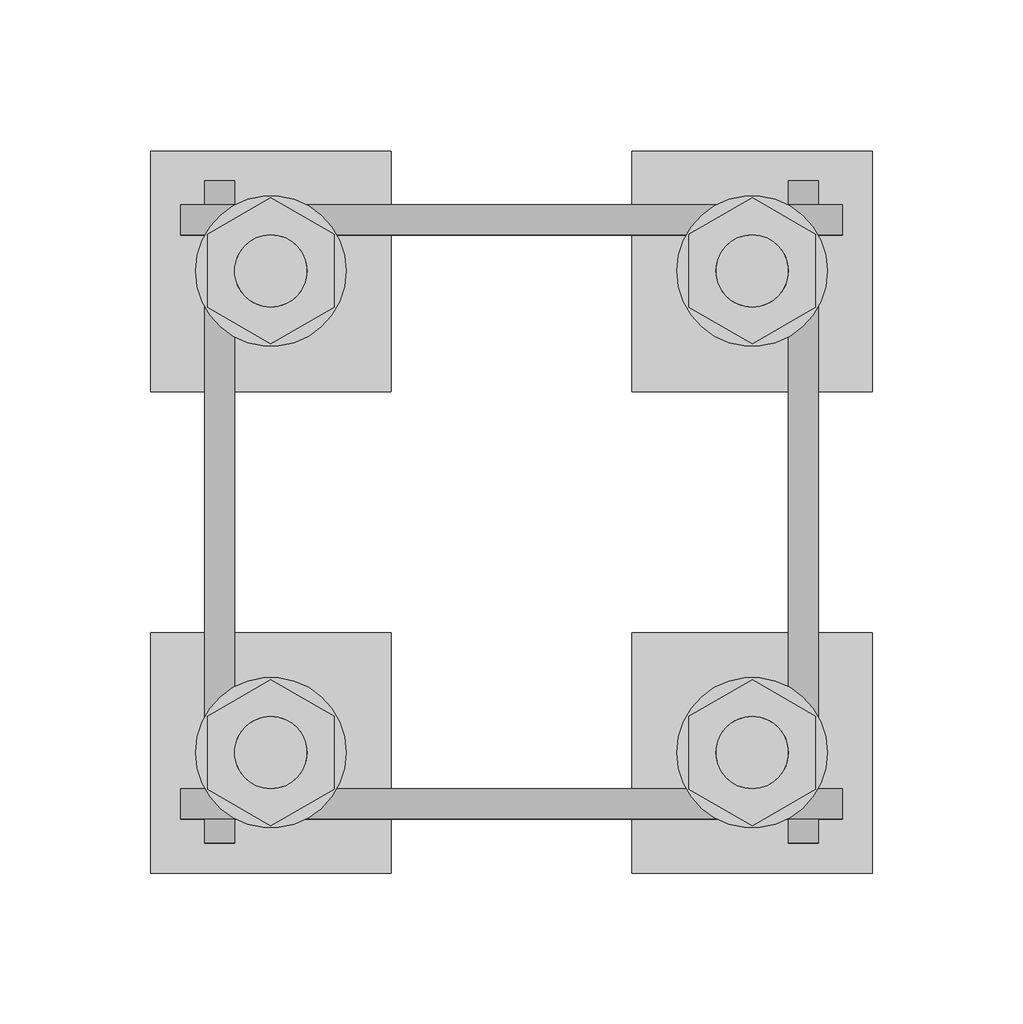
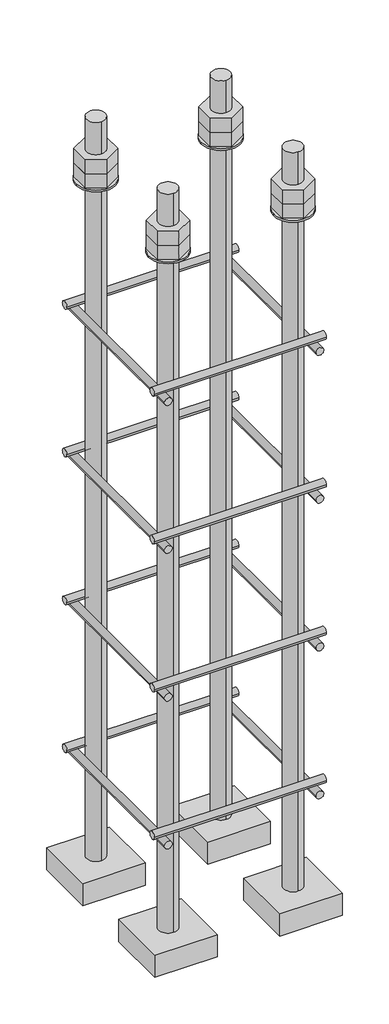
# One storey, part 9 of 66: 1 fastener.
"""IFC4 building model written with IfcOpenShell, lengths in millimetres."""

from ifc_helpers import new_model, si_unit, point, frame, frame_2d, origin, place, context, project, spatial, polyline, circle_curve, trimmed, segment, composite_curve, outline, extrude, element, save
from ifc_brep_helpers import plane_surface, cylinder_surface, advanced_brep

model = new_model("IFC4")

# Units and contexts
model_context = context("Model", 3, world=origin())
ifc_project = project(units=[si_unit("LENGTHUNIT", "METRE", prefix="MILLI")], contexts=[model_context])

# Site, building, storey
site = spatial("IfcSite", under=ifc_project)
building = spatial("IfcBuilding", under=site)
storey = spatial("IfcBuildingStorey", under=building, Elevation=9070.0)

# Fastener
placement = place(None, origin())
element("IfcFastener", 1, ObjectType="AU1 : AU-01", at=placement, inside=storey, context=model_context, shape_type="SolidModel", body=[
    extrude(outline(composite_curve([segment(trimmed(circle_curve(frame_2d((20703.0, 8395.0)), 5.0), [point((20698.0, 8395.0))], [point((20708.0, 8395.0))], False, "CARTESIAN"), True, "CONTINUOUS"), segment(trimmed(circle_curve(frame_2d((20703.0, 8395.0)), 5.0), [point((20708.0, 8395.0))], [point((20698.0, 8395.0))], False, "CARTESIAN"), True, "CONTINUOUS")], self_intersect=False)), frame((9890.0, 0.0, 0.0), z_axis=(1.0, 0.0, 0.0), x_axis=(0.0, 1.0, 0.0)), (0.0, 0.0, 1.0), 220.0),
    extrude(outline(composite_curve([segment(trimmed(circle_curve(frame_2d((20897.0, 8395.0)), 5.0), [point((20902.0, 8395.0))], [point((20892.0, 8395.0))], False, "CARTESIAN"), True, "CONTINUOUS"), segment(trimmed(circle_curve(frame_2d((20897.0, 8395.0)), 5.0), [point((20892.0, 8395.0))], [point((20902.0, 8395.0))], False, "CARTESIAN"), True, "CONTINUOUS")], self_intersect=False)), frame((9890.0, 0.0, 0.0), z_axis=(1.0, 0.0, 0.0), x_axis=(0.0, 1.0, 0.0)), (0.0, 0.0, 1.0), 220.0),
    extrude(outline(composite_curve([segment(trimmed(circle_curve(frame_2d((8385.0, 9903.0)), 5.0), [point((8385.0, 9898.0))], [point((8385.0, 9908.0))], False, "CARTESIAN"), True, "CONTINUOUS"), segment(trimmed(circle_curve(frame_2d((8385.0, 9903.0)), 5.0), [point((8385.0, 9908.0))], [point((8385.0, 9898.0))], False, "CARTESIAN"), True, "CONTINUOUS")], self_intersect=False)), frame((0.0, 20690.0, 0.0), z_axis=(0.0, 1.0, 0.0), x_axis=(0.0, 0.0, 1.0)), (0.0, 0.0, 1.0), 220.0),
    extrude(outline(composite_curve([segment(trimmed(circle_curve(frame_2d((8385.0, 10097.0)), 5.0), [point((8385.0, 10102.0))], [point((8385.0, 10092.0))], False, "CARTESIAN"), True, "CONTINUOUS"), segment(trimmed(circle_curve(frame_2d((8385.0, 10097.0)), 5.0), [point((8385.0, 10092.0))], [point((8385.0, 10102.0))], False, "CARTESIAN"), True, "CONTINUOUS")], self_intersect=False)), frame((0.0, 20690.0, 0.0), z_axis=(0.0, 1.0, 0.0), x_axis=(0.0, 0.0, 1.0)), (0.0, 0.0, 1.0), 220.0),
    extrude(outline(composite_curve([segment(trimmed(circle_curve(frame_2d((20703.0, 8595.0)), 5.0), [point((20698.0, 8595.0))], [point((20708.0, 8595.0))], False, "CARTESIAN"), True, "CONTINUOUS"), segment(trimmed(circle_curve(frame_2d((20703.0, 8595.0)), 5.0), [point((20708.0, 8595.0))], [point((20698.0, 8595.0))], False, "CARTESIAN"), True, "CONTINUOUS")], self_intersect=False)), frame((9890.0, 0.0, 0.0), z_axis=(1.0, 0.0, 0.0), x_axis=(0.0, 1.0, 0.0)), (0.0, 0.0, 1.0), 220.0),
    extrude(outline(composite_curve([segment(trimmed(circle_curve(frame_2d((20897.0, 8595.0)), 5.0), [point((20902.0, 8595.0))], [point((20892.0, 8595.0))], False, "CARTESIAN"), True, "CONTINUOUS"), segment(trimmed(circle_curve(frame_2d((20897.0, 8595.0)), 5.0), [point((20892.0, 8595.0))], [point((20902.0, 8595.0))], False, "CARTESIAN"), True, "CONTINUOUS")], self_intersect=False)), frame((9890.0, 0.0, 0.0), z_axis=(1.0, 0.0, 0.0), x_axis=(0.0, 1.0, 0.0)), (0.0, 0.0, 1.0), 220.0),
    extrude(outline(composite_curve([segment(trimmed(circle_curve(frame_2d((8585.0, 9903.0)), 5.0), [point((8585.0, 9898.0))], [point((8585.0, 9908.0))], False, "CARTESIAN"), True, "CONTINUOUS"), segment(trimmed(circle_curve(frame_2d((8585.0, 9903.0)), 5.0), [point((8585.0, 9908.0))], [point((8585.0, 9898.0))], False, "CARTESIAN"), True, "CONTINUOUS")], self_intersect=False)), frame((0.0, 20690.0, 0.0), z_axis=(0.0, 1.0, 0.0), x_axis=(0.0, 0.0, 1.0)), (0.0, 0.0, 1.0), 220.0),
    extrude(outline(composite_curve([segment(trimmed(circle_curve(frame_2d((8585.0, 10097.0)), 5.0), [point((8585.0, 10102.0))], [point((8585.0, 10092.0))], False, "CARTESIAN"), True, "CONTINUOUS"), segment(trimmed(circle_curve(frame_2d((8585.0, 10097.0)), 5.0), [point((8585.0, 10092.0))], [point((8585.0, 10102.0))], False, "CARTESIAN"), True, "CONTINUOUS")], self_intersect=False)), frame((0.0, 20690.0, 0.0), z_axis=(0.0, 1.0, 0.0), x_axis=(0.0, 0.0, 1.0)), (0.0, 0.0, 1.0), 220.0),
    extrude(outline(composite_curve([segment(trimmed(circle_curve(frame_2d((20703.0, 8795.0)), 5.0), [point((20698.0, 8795.0))], [point((20708.0, 8795.0))], False, "CARTESIAN"), True, "CONTINUOUS"), segment(trimmed(circle_curve(frame_2d((20703.0, 8795.0)), 5.0), [point((20708.0, 8795.0))], [point((20698.0, 8795.0))], False, "CARTESIAN"), True, "CONTINUOUS")], self_intersect=False)), frame((9890.0, 0.0, 0.0), z_axis=(1.0, 0.0, 0.0), x_axis=(0.0, 1.0, 0.0)), (0.0, 0.0, 1.0), 220.0),
    extrude(outline(composite_curve([segment(trimmed(circle_curve(frame_2d((20897.0, 8795.0)), 5.0), [point((20902.0, 8795.0))], [point((20892.0, 8795.0))], False, "CARTESIAN"), True, "CONTINUOUS"), segment(trimmed(circle_curve(frame_2d((20897.0, 8795.0)), 5.0), [point((20892.0, 8795.0))], [point((20902.0, 8795.0))], False, "CARTESIAN"), True, "CONTINUOUS")], self_intersect=False)), frame((9890.0, 0.0, 0.0), z_axis=(1.0, 0.0, 0.0), x_axis=(0.0, 1.0, 0.0)), (0.0, 0.0, 1.0), 220.0),
    extrude(outline(composite_curve([segment(trimmed(circle_curve(frame_2d((8785.0, 9903.0)), 5.0), [point((8785.0, 9898.0))], [point((8785.0, 9908.0))], False, "CARTESIAN"), True, "CONTINUOUS"), segment(trimmed(circle_curve(frame_2d((8785.0, 9903.0)), 5.0), [point((8785.0, 9908.0))], [point((8785.0, 9898.0))], False, "CARTESIAN"), True, "CONTINUOUS")], self_intersect=False)), frame((0.0, 20690.0, 0.0), z_axis=(0.0, 1.0, 0.0), x_axis=(0.0, 0.0, 1.0)), (0.0, 0.0, 1.0), 220.0),
    extrude(outline(composite_curve([segment(trimmed(circle_curve(frame_2d((8785.0, 10097.0)), 5.0), [point((8785.0, 10102.0))], [point((8785.0, 10092.0))], False, "CARTESIAN"), True, "CONTINUOUS"), segment(trimmed(circle_curve(frame_2d((8785.0, 10097.0)), 5.0), [point((8785.0, 10092.0))], [point((8785.0, 10102.0))], False, "CARTESIAN"), True, "CONTINUOUS")], self_intersect=False)), frame((0.0, 20690.0, 0.0), z_axis=(0.0, 1.0, 0.0), x_axis=(0.0, 0.0, 1.0)), (0.0, 0.0, 1.0), 220.0),
    extrude(outline(composite_curve([segment(trimmed(circle_curve(frame_2d((20703.0, 8995.0)), 5.0), [point((20698.0, 8995.0))], [point((20708.0, 8995.0))], False, "CARTESIAN"), True, "CONTINUOUS"), segment(trimmed(circle_curve(frame_2d((20703.0, 8995.0)), 5.0), [point((20708.0, 8995.0))], [point((20698.0, 8995.0))], False, "CARTESIAN"), True, "CONTINUOUS")], self_intersect=False)), frame((9890.0, 0.0, 0.0), z_axis=(1.0, 0.0, 0.0), x_axis=(0.0, 1.0, 0.0)), (0.0, 0.0, 1.0), 220.0),
    extrude(outline(composite_curve([segment(trimmed(circle_curve(frame_2d((20897.0, 8995.0)), 5.0), [point((20902.0, 8995.0))], [point((20892.0, 8995.0))], False, "CARTESIAN"), True, "CONTINUOUS"), segment(trimmed(circle_curve(frame_2d((20897.0, 8995.0)), 5.0), [point((20892.0, 8995.0))], [point((20902.0, 8995.0))], False, "CARTESIAN"), True, "CONTINUOUS")], self_intersect=False)), frame((9890.0, 0.0, 0.0), z_axis=(1.0, 0.0, 0.0), x_axis=(0.0, 1.0, 0.0)), (0.0, 0.0, 1.0), 220.0),
    extrude(outline(composite_curve([segment(trimmed(circle_curve(frame_2d((8985.0, 9903.0)), 5.0), [point((8985.0, 9898.0))], [point((8985.0, 9908.0))], False, "CARTESIAN"), True, "CONTINUOUS"), segment(trimmed(circle_curve(frame_2d((8985.0, 9903.0)), 5.0), [point((8985.0, 9908.0))], [point((8985.0, 9898.0))], False, "CARTESIAN"), True, "CONTINUOUS")], self_intersect=False)), frame((0.0, 20690.0, 0.0), z_axis=(0.0, 1.0, 0.0), x_axis=(0.0, 0.0, 1.0)), (0.0, 0.0, 1.0), 220.0),
    extrude(outline(composite_curve([segment(trimmed(circle_curve(frame_2d((8985.0, 10097.0)), 5.0), [point((8985.0, 10102.0))], [point((8985.0, 10092.0))], False, "CARTESIAN"), True, "CONTINUOUS"), segment(trimmed(circle_curve(frame_2d((8985.0, 10097.0)), 5.0), [point((8985.0, 10092.0))], [point((8985.0, 10102.0))], False, "CARTESIAN"), True, "CONTINUOUS")], self_intersect=False)), frame((0.0, 20690.0, 0.0), z_axis=(0.0, 1.0, 0.0), x_axis=(0.0, 0.0, 1.0)), (0.0, 0.0, 1.0), 220.0),
    advanced_brep(
    [(9960.0, 20920.0, 8250.0), (9880.0, 20920.0, 8250.0), (9880.0, 20840.0, 8250.0), (9960.0, 20840.0, 8250.0), (9920.0, 20868.0, 8250.0), (9920.0, 20892.0, 8250.0), (9960.0, 20920.0, 8220.0), (9960.0, 20840.0, 8220.0), (9880.0, 20840.0, 8220.0), (9880.0, 20920.0, 8220.0), (9920.0, 20892.0, 9250.0), (9920.0, 20868.0, 9250.0)],
    [
        (0, 1),
        (1, 2),
        (2, 3),
        (3, 0),
        (4, 5, circle_curve(frame((9920.0, 20880.0, 8250.0), z_axis=(0.0, 0.0, -1.0), x_axis=(0.0, -1.0, 0.0)), 12.0)),
        (5, 4, circle_curve(frame((9920.0, 20880.0, 8250.0), z_axis=(0.0, 0.0, -1.0), x_axis=(0.0, -1.0, 0.0)), 12.0)),
        (6, 7),
        (7, 8),
        (8, 9),
        (9, 6),
        (0, 6),
        (9, 1),
        (8, 2),
        (7, 3),
        (10, 11, circle_curve(frame((9920.0, 20880.0, 9250.0), z_axis=(0.0, 0.0, 1.0), x_axis=(0.0, -1.0, 0.0)), 12.0)),
        (11, 10, circle_curve(frame((9920.0, 20880.0, 9250.0), z_axis=(0.0, 0.0, 1.0), x_axis=(0.0, -1.0, 0.0)), 12.0)),
        (10, 5),
        (4, 11),
    ],
    [
        plane_surface(frame((9880.0, 20920.0, 8250.0), z_axis=(0.0, 0.0, 1.0), x_axis=(-1.0, 0.0, 0.0))),
        plane_surface(frame((9880.0, 20920.0, 8220.0), z_axis=(0.0, 0.0, -1.0), x_axis=(1.0, 0.0, 0.0))),
        plane_surface(frame((9960.0, 20920.0, 8250.0), z_axis=(0.0, 1.0, 0.0), x_axis=(0.0, 0.0, -1.0))),
        plane_surface(frame((9880.0, 20920.0, 8250.0), z_axis=(-1.0, 0.0, 0.0), x_axis=(0.0, 0.0, -1.0))),
        plane_surface(frame((9880.0, 20840.0, 8250.0), z_axis=(0.0, -1.0, 0.0), x_axis=(0.0, 0.0, -1.0))),
        plane_surface(frame((9960.0, 20840.0, 8250.0), z_axis=(1.0, 0.0, 0.0), x_axis=(0.0, 0.0, -1.0))),
        plane_surface(frame((9920.0, 20880.0, 9250.0), z_axis=(0.0, 0.0, 1.0), x_axis=(0.0, -1.0, 0.0))),
        cylinder_surface(frame((9920.0, 20880.0, 9250.0), z_axis=(0.0, 0.0, 1.0), x_axis=(0.0, -1.0, 0.0)), 12.0),
    ],
    [
        (0, [[1, 2, 3, 4], [5, 6]]),
        (1, [[7, 8, 9, 10]]),
        (2, [[-1, 11, -10, 12]]),
        (3, [[-2, -12, -9, 13]]),
        (4, [[-3, -13, -8, 14]]),
        (5, [[-4, -14, -7, -11]]),
        (6, [[15, 16]]),
        (7, [[-15, 17, -5, 18]]),
        (7, [[-16, -18, -6, -17]]),
    ],
),
    extrude(outline(composite_curve([segment(trimmed(circle_curve(frame_2d((9920.0, 20880.0)), 25.0), [point((9945.0, 20880.0))], [point((9895.0, 20880.0))], False, "CARTESIAN"), True, "CONTINUOUS"), segment(trimmed(circle_curve(frame_2d((9920.0, 20880.0)), 25.0), [point((9895.0, 20880.0))], [point((9945.0, 20880.0))], False, "CARTESIAN"), True, "CONTINUOUS")], self_intersect=False), holes=[composite_curve([segment(trimmed(circle_curve(frame_2d((9920.0, 20880.0)), 12.0), [point((9932.0, 20880.0))], [point((9908.0, 20880.0))], True, "CARTESIAN"), True, "CONTINUOUS"), segment(trimmed(circle_curve(frame_2d((9920.0, 20880.0)), 12.0), [point((9908.0, 20880.0))], [point((9932.0, 20880.0))], True, "CARTESIAN"), True, "CONTINUOUS")], self_intersect=False)]), frame((0.0, 0.0, 9165.0), z_axis=(0.0, 0.0, 1.0), x_axis=(1.0, 0.0, 0.0)), (0.0, 0.0, 1.0), 2.5),
    extrude(outline(polyline([(9920.0, 20904.2487113), (9941.0, 20892.1243557), (9941.0, 20867.8756443), (9920.0, 20855.7512887), (9899.0, 20867.8756443), (9899.0, 20892.1243557), (9920.0, 20904.2487113)]), holes=[composite_curve([segment(trimmed(circle_curve(frame_2d((9920.0, 20880.0)), 12.0), [point((9932.0, 20880.0))], [point((9908.0, 20880.0))], True, "CARTESIAN"), True, "CONTINUOUS"), segment(trimmed(circle_curve(frame_2d((9920.0, 20880.0)), 12.0), [point((9908.0, 20880.0))], [point((9932.0, 20880.0))], True, "CARTESIAN"), True, "CONTINUOUS")], self_intersect=False)]), frame((0.0, 0.0, 9187.0), z_axis=(0.0, 0.0, 1.0), x_axis=(1.0, 0.0, 0.0)), (0.0, 0.0, 1.0), 19.5),
    extrude(outline(polyline([(9920.0, 20904.2487113), (9941.0, 20892.1243557), (9941.0, 20867.8756443), (9920.0, 20855.7512887), (9899.0, 20867.8756443), (9899.0, 20892.1243557), (9920.0, 20904.2487113)]), holes=[composite_curve([segment(trimmed(circle_curve(frame_2d((9920.0, 20880.0)), 12.0), [point((9932.0, 20880.0))], [point((9908.0, 20880.0))], True, "CARTESIAN"), True, "CONTINUOUS"), segment(trimmed(circle_curve(frame_2d((9920.0, 20880.0)), 12.0), [point((9908.0, 20880.0))], [point((9932.0, 20880.0))], True, "CARTESIAN"), True, "CONTINUOUS")], self_intersect=False)]), frame((0.0, 0.0, 9167.5), z_axis=(0.0, 0.0, 1.0), x_axis=(1.0, 0.0, 0.0)), (0.0, 0.0, 1.0), 19.5),
    advanced_brep(
    [(10040.0, 20840.0, 8250.0), (10120.0, 20840.0, 8250.0), (10120.0, 20920.0, 8250.0), (10040.0, 20920.0, 8250.0), (10080.0, 20892.0, 8250.0), (10080.0, 20868.0, 8250.0), (10040.0, 20840.0, 8220.0), (10040.0, 20920.0, 8220.0), (10120.0, 20920.0, 8220.0), (10120.0, 20840.0, 8220.0), (10080.0, 20868.0, 9250.0), (10080.0, 20892.0, 9250.0)],
    [
        (0, 1),
        (1, 2),
        (2, 3),
        (3, 0),
        (4, 5, circle_curve(frame((10080.0, 20880.0, 8250.0), z_axis=(0.0, 0.0, -1.0), x_axis=(0.0, 1.0, 0.0)), 12.0)),
        (5, 4, circle_curve(frame((10080.0, 20880.0, 8250.0), z_axis=(0.0, 0.0, -1.0), x_axis=(0.0, 1.0, 0.0)), 12.0)),
        (6, 7),
        (7, 8),
        (8, 9),
        (9, 6),
        (0, 6),
        (9, 1),
        (8, 2),
        (7, 3),
        (10, 11, circle_curve(frame((10080.0, 20880.0, 9250.0), z_axis=(0.0, 0.0, 1.0), x_axis=(0.0, 1.0, 0.0)), 12.0)),
        (11, 10, circle_curve(frame((10080.0, 20880.0, 9250.0), z_axis=(0.0, 0.0, 1.0), x_axis=(0.0, 1.0, 0.0)), 12.0)),
        (10, 5),
        (4, 11),
    ],
    [
        plane_surface(frame((10120.0, 20840.0, 8250.0), z_axis=(0.0, 0.0, 1.0), x_axis=(1.0, 0.0, 0.0))),
        plane_surface(frame((10120.0, 20840.0, 8220.0), z_axis=(0.0, 0.0, -1.0), x_axis=(-1.0, 0.0, 0.0))),
        plane_surface(frame((10040.0, 20840.0, 8250.0), z_axis=(0.0, -1.0, 0.0), x_axis=(0.0, 0.0, -1.0))),
        plane_surface(frame((10120.0, 20840.0, 8250.0), z_axis=(1.0, 0.0, 0.0), x_axis=(0.0, 0.0, -1.0))),
        plane_surface(frame((10120.0, 20920.0, 8250.0), z_axis=(0.0, 1.0, 0.0), x_axis=(0.0, 0.0, -1.0))),
        plane_surface(frame((10040.0, 20920.0, 8250.0), z_axis=(-1.0, 0.0, 0.0), x_axis=(0.0, 0.0, -1.0))),
        plane_surface(frame((10080.0, 20880.0, 9250.0), z_axis=(0.0, 0.0, 1.0), x_axis=(0.0, 1.0, 0.0))),
        cylinder_surface(frame((10080.0, 20880.0, 9250.0), z_axis=(0.0, 0.0, 1.0), x_axis=(0.0, 1.0, 0.0)), 12.0),
    ],
    [
        (0, [[1, 2, 3, 4], [5, 6]]),
        (1, [[7, 8, 9, 10]]),
        (2, [[-1, 11, -10, 12]]),
        (3, [[-2, -12, -9, 13]]),
        (4, [[-3, -13, -8, 14]]),
        (5, [[-4, -14, -7, -11]]),
        (6, [[15, 16]]),
        (7, [[-15, 17, -5, 18]]),
        (7, [[-16, -18, -6, -17]]),
    ],
),
    extrude(outline(composite_curve([segment(trimmed(circle_curve(frame_2d((10080.0, 20880.0)), 25.0), [point((10055.0, 20880.0))], [point((10105.0, 20880.0))], False, "CARTESIAN"), True, "CONTINUOUS"), segment(trimmed(circle_curve(frame_2d((10080.0, 20880.0)), 25.0), [point((10105.0, 20880.0))], [point((10055.0, 20880.0))], False, "CARTESIAN"), True, "CONTINUOUS")], self_intersect=False), holes=[composite_curve([segment(trimmed(circle_curve(frame_2d((10080.0, 20880.0)), 12.0), [point((10068.0, 20880.0))], [point((10092.0, 20880.0))], True, "CARTESIAN"), True, "CONTINUOUS"), segment(trimmed(circle_curve(frame_2d((10080.0, 20880.0)), 12.0), [point((10092.0, 20880.0))], [point((10068.0, 20880.0))], True, "CARTESIAN"), True, "CONTINUOUS")], self_intersect=False)]), frame((0.0, 0.0, 9165.0), z_axis=(0.0, 0.0, 1.0), x_axis=(1.0, 0.0, 0.0)), (0.0, 0.0, 1.0), 2.5),
    extrude(outline(polyline([(10080.0, 20855.7512887), (10059.0, 20867.8756443), (10059.0, 20892.1243557), (10080.0, 20904.2487113), (10101.0, 20892.1243557), (10101.0, 20867.8756443), (10080.0, 20855.7512887)]), holes=[composite_curve([segment(trimmed(circle_curve(frame_2d((10080.0, 20880.0)), 12.0), [point((10068.0, 20880.0))], [point((10092.0, 20880.0))], True, "CARTESIAN"), True, "CONTINUOUS"), segment(trimmed(circle_curve(frame_2d((10080.0, 20880.0)), 12.0), [point((10092.0, 20880.0))], [point((10068.0, 20880.0))], True, "CARTESIAN"), True, "CONTINUOUS")], self_intersect=False)]), frame((0.0, 0.0, 9187.0), z_axis=(0.0, 0.0, 1.0), x_axis=(1.0, 0.0, 0.0)), (0.0, 0.0, 1.0), 19.5),
    extrude(outline(polyline([(10080.0, 20855.7512887), (10059.0, 20867.8756443), (10059.0, 20892.1243557), (10080.0, 20904.2487113), (10101.0, 20892.1243557), (10101.0, 20867.8756443), (10080.0, 20855.7512887)]), holes=[composite_curve([segment(trimmed(circle_curve(frame_2d((10080.0, 20880.0)), 12.0), [point((10068.0, 20880.0))], [point((10092.0, 20880.0))], True, "CARTESIAN"), True, "CONTINUOUS"), segment(trimmed(circle_curve(frame_2d((10080.0, 20880.0)), 12.0), [point((10092.0, 20880.0))], [point((10068.0, 20880.0))], True, "CARTESIAN"), True, "CONTINUOUS")], self_intersect=False)]), frame((0.0, 0.0, 9167.5), z_axis=(0.0, 0.0, 1.0), x_axis=(1.0, 0.0, 0.0)), (0.0, 0.0, 1.0), 19.5),
    advanced_brep(
    [(10040.0, 20680.0, 8250.0), (10120.0, 20680.0, 8250.0), (10120.0, 20760.0, 8250.0), (10040.0, 20760.0, 8250.0), (10080.0, 20732.0, 8250.0), (10080.0, 20708.0, 8250.0), (10040.0, 20680.0, 8220.0), (10040.0, 20760.0, 8220.0), (10120.0, 20760.0, 8220.0), (10120.0, 20680.0, 8220.0), (10080.0, 20708.0, 9250.0), (10080.0, 20732.0, 9250.0)],
    [
        (0, 1),
        (1, 2),
        (2, 3),
        (3, 0),
        (4, 5, circle_curve(frame((10080.0, 20720.0, 8250.0), z_axis=(0.0, 0.0, -1.0), x_axis=(0.0, 1.0, 0.0)), 12.0)),
        (5, 4, circle_curve(frame((10080.0, 20720.0, 8250.0), z_axis=(0.0, 0.0, -1.0), x_axis=(0.0, 1.0, 0.0)), 12.0)),
        (6, 7),
        (7, 8),
        (8, 9),
        (9, 6),
        (0, 6),
        (9, 1),
        (8, 2),
        (7, 3),
        (10, 11, circle_curve(frame((10080.0, 20720.0, 9250.0), z_axis=(0.0, 0.0, 1.0), x_axis=(0.0, 1.0, 0.0)), 12.0)),
        (11, 10, circle_curve(frame((10080.0, 20720.0, 9250.0), z_axis=(0.0, 0.0, 1.0), x_axis=(0.0, 1.0, 0.0)), 12.0)),
        (10, 5),
        (4, 11),
    ],
    [
        plane_surface(frame((10120.0, 20680.0, 8250.0), z_axis=(0.0, 0.0, 1.0), x_axis=(1.0, 0.0, 0.0))),
        plane_surface(frame((10120.0, 20680.0, 8220.0), z_axis=(0.0, 0.0, -1.0), x_axis=(-1.0, 0.0, 0.0))),
        plane_surface(frame((10040.0, 20680.0, 8250.0), z_axis=(0.0, -1.0, 0.0), x_axis=(0.0, 0.0, -1.0))),
        plane_surface(frame((10120.0, 20680.0, 8250.0), z_axis=(1.0, 0.0, 0.0), x_axis=(0.0, 0.0, -1.0))),
        plane_surface(frame((10120.0, 20760.0, 8250.0), z_axis=(0.0, 1.0, 0.0), x_axis=(0.0, 0.0, -1.0))),
        plane_surface(frame((10040.0, 20760.0, 8250.0), z_axis=(-1.0, 0.0, 0.0), x_axis=(0.0, 0.0, -1.0))),
        plane_surface(frame((10080.0, 20720.0, 9250.0), z_axis=(0.0, 0.0, 1.0), x_axis=(0.0, 1.0, 0.0))),
        cylinder_surface(frame((10080.0, 20720.0, 9250.0), z_axis=(0.0, 0.0, 1.0), x_axis=(0.0, 1.0, 0.0)), 12.0),
    ],
    [
        (0, [[1, 2, 3, 4], [5, 6]]),
        (1, [[7, 8, 9, 10]]),
        (2, [[-1, 11, -10, 12]]),
        (3, [[-2, -12, -9, 13]]),
        (4, [[-3, -13, -8, 14]]),
        (5, [[-4, -14, -7, -11]]),
        (6, [[15, 16]]),
        (7, [[-15, 17, -5, 18]]),
        (7, [[-16, -18, -6, -17]]),
    ],
),
    extrude(outline(composite_curve([segment(trimmed(circle_curve(frame_2d((10080.0, 20720.0)), 25.0), [point((10055.0, 20720.0))], [point((10105.0, 20720.0))], False, "CARTESIAN"), True, "CONTINUOUS"), segment(trimmed(circle_curve(frame_2d((10080.0, 20720.0)), 25.0), [point((10105.0, 20720.0))], [point((10055.0, 20720.0))], False, "CARTESIAN"), True, "CONTINUOUS")], self_intersect=False), holes=[composite_curve([segment(trimmed(circle_curve(frame_2d((10080.0, 20720.0)), 12.0), [point((10068.0, 20720.0))], [point((10092.0, 20720.0))], True, "CARTESIAN"), True, "CONTINUOUS"), segment(trimmed(circle_curve(frame_2d((10080.0, 20720.0)), 12.0), [point((10092.0, 20720.0))], [point((10068.0, 20720.0))], True, "CARTESIAN"), True, "CONTINUOUS")], self_intersect=False)]), frame((0.0, 0.0, 9165.0), z_axis=(0.0, 0.0, 1.0), x_axis=(1.0, 0.0, 0.0)), (0.0, 0.0, 1.0), 2.5),
    extrude(outline(polyline([(10080.0, 20695.7512887), (10059.0, 20707.8756443), (10059.0, 20732.1243557), (10080.0, 20744.2487113), (10101.0, 20732.1243557), (10101.0, 20707.8756443), (10080.0, 20695.7512887)]), holes=[composite_curve([segment(trimmed(circle_curve(frame_2d((10080.0, 20720.0)), 12.0), [point((10068.0, 20720.0))], [point((10092.0, 20720.0))], True, "CARTESIAN"), True, "CONTINUOUS"), segment(trimmed(circle_curve(frame_2d((10080.0, 20720.0)), 12.0), [point((10092.0, 20720.0))], [point((10068.0, 20720.0))], True, "CARTESIAN"), True, "CONTINUOUS")], self_intersect=False)]), frame((0.0, 0.0, 9187.0), z_axis=(0.0, 0.0, 1.0), x_axis=(1.0, 0.0, 0.0)), (0.0, 0.0, 1.0), 19.5),
    extrude(outline(polyline([(10080.0, 20695.7512887), (10059.0, 20707.8756443), (10059.0, 20732.1243557), (10080.0, 20744.2487113), (10101.0, 20732.1243557), (10101.0, 20707.8756443), (10080.0, 20695.7512887)]), holes=[composite_curve([segment(trimmed(circle_curve(frame_2d((10080.0, 20720.0)), 12.0), [point((10068.0, 20720.0))], [point((10092.0, 20720.0))], True, "CARTESIAN"), True, "CONTINUOUS"), segment(trimmed(circle_curve(frame_2d((10080.0, 20720.0)), 12.0), [point((10092.0, 20720.0))], [point((10068.0, 20720.0))], True, "CARTESIAN"), True, "CONTINUOUS")], self_intersect=False)]), frame((0.0, 0.0, 9167.5), z_axis=(0.0, 0.0, 1.0), x_axis=(1.0, 0.0, 0.0)), (0.0, 0.0, 1.0), 19.5),
    advanced_brep(
    [(9960.0, 20760.0, 8250.0), (9880.0, 20760.0, 8250.0), (9880.0, 20680.0, 8250.0), (9960.0, 20680.0, 8250.0), (9920.0, 20708.0, 8250.0), (9920.0, 20732.0, 8250.0), (9960.0, 20760.0, 8220.0), (9960.0, 20680.0, 8220.0), (9880.0, 20680.0, 8220.0), (9880.0, 20760.0, 8220.0), (9920.0, 20732.0, 9250.0), (9920.0, 20708.0, 9250.0)],
    [
        (0, 1),
        (1, 2),
        (2, 3),
        (3, 0),
        (4, 5, circle_curve(frame((9920.0, 20720.0, 8250.0), z_axis=(0.0, 0.0, -1.0), x_axis=(0.0, -1.0, 0.0)), 12.0)),
        (5, 4, circle_curve(frame((9920.0, 20720.0, 8250.0), z_axis=(0.0, 0.0, -1.0), x_axis=(0.0, -1.0, 0.0)), 12.0)),
        (6, 7),
        (7, 8),
        (8, 9),
        (9, 6),
        (0, 6),
        (9, 1),
        (8, 2),
        (7, 3),
        (10, 11, circle_curve(frame((9920.0, 20720.0, 9250.0), z_axis=(0.0, 0.0, 1.0), x_axis=(0.0, -1.0, 0.0)), 12.0)),
        (11, 10, circle_curve(frame((9920.0, 20720.0, 9250.0), z_axis=(0.0, 0.0, 1.0), x_axis=(0.0, -1.0, 0.0)), 12.0)),
        (10, 5),
        (4, 11),
    ],
    [
        plane_surface(frame((9880.0, 20760.0, 8250.0), z_axis=(0.0, 0.0, 1.0), x_axis=(-1.0, 0.0, 0.0))),
        plane_surface(frame((9880.0, 20760.0, 8220.0), z_axis=(0.0, 0.0, -1.0), x_axis=(1.0, 0.0, 0.0))),
        plane_surface(frame((9960.0, 20760.0, 8250.0), z_axis=(0.0, 1.0, 0.0), x_axis=(0.0, 0.0, -1.0))),
        plane_surface(frame((9880.0, 20760.0, 8250.0), z_axis=(-1.0, 0.0, 0.0), x_axis=(0.0, 0.0, -1.0))),
        plane_surface(frame((9880.0, 20680.0, 8250.0), z_axis=(0.0, -1.0, 0.0), x_axis=(0.0, 0.0, -1.0))),
        plane_surface(frame((9960.0, 20680.0, 8250.0), z_axis=(1.0, 0.0, 0.0), x_axis=(0.0, 0.0, -1.0))),
        plane_surface(frame((9920.0, 20720.0, 9250.0), z_axis=(0.0, 0.0, 1.0), x_axis=(0.0, -1.0, 0.0))),
        cylinder_surface(frame((9920.0, 20720.0, 9250.0), z_axis=(0.0, 0.0, 1.0), x_axis=(0.0, -1.0, 0.0)), 12.0),
    ],
    [
        (0, [[1, 2, 3, 4], [5, 6]]),
        (1, [[7, 8, 9, 10]]),
        (2, [[-1, 11, -10, 12]]),
        (3, [[-2, -12, -9, 13]]),
        (4, [[-3, -13, -8, 14]]),
        (5, [[-4, -14, -7, -11]]),
        (6, [[15, 16]]),
        (7, [[-15, 17, -5, 18]]),
        (7, [[-16, -18, -6, -17]]),
    ],
),
    extrude(outline(composite_curve([segment(trimmed(circle_curve(frame_2d((9920.0, 20720.0)), 25.0), [point((9945.0, 20720.0))], [point((9895.0, 20720.0))], False, "CARTESIAN"), True, "CONTINUOUS"), segment(trimmed(circle_curve(frame_2d((9920.0, 20720.0)), 25.0), [point((9895.0, 20720.0))], [point((9945.0, 20720.0))], False, "CARTESIAN"), True, "CONTINUOUS")], self_intersect=False), holes=[composite_curve([segment(trimmed(circle_curve(frame_2d((9920.0, 20720.0)), 12.0), [point((9932.0, 20720.0))], [point((9908.0, 20720.0))], True, "CARTESIAN"), True, "CONTINUOUS"), segment(trimmed(circle_curve(frame_2d((9920.0, 20720.0)), 12.0), [point((9908.0, 20720.0))], [point((9932.0, 20720.0))], True, "CARTESIAN"), True, "CONTINUOUS")], self_intersect=False)]), frame((0.0, 0.0, 9165.0), z_axis=(0.0, 0.0, 1.0), x_axis=(1.0, 0.0, 0.0)), (0.0, 0.0, 1.0), 2.5),
    extrude(outline(polyline([(9920.0, 20744.2487113), (9941.0, 20732.1243557), (9941.0, 20707.8756443), (9920.0, 20695.7512887), (9899.0, 20707.8756443), (9899.0, 20732.1243557), (9920.0, 20744.2487113)]), holes=[composite_curve([segment(trimmed(circle_curve(frame_2d((9920.0, 20720.0)), 12.0), [point((9932.0, 20720.0))], [point((9908.0, 20720.0))], True, "CARTESIAN"), True, "CONTINUOUS"), segment(trimmed(circle_curve(frame_2d((9920.0, 20720.0)), 12.0), [point((9908.0, 20720.0))], [point((9932.0, 20720.0))], True, "CARTESIAN"), True, "CONTINUOUS")], self_intersect=False)]), frame((0.0, 0.0, 9187.0), z_axis=(0.0, 0.0, 1.0), x_axis=(1.0, 0.0, 0.0)), (0.0, 0.0, 1.0), 19.5),
    extrude(outline(polyline([(9920.0, 20744.2487113), (9941.0, 20732.1243557), (9941.0, 20707.8756443), (9920.0, 20695.7512887), (9899.0, 20707.8756443), (9899.0, 20732.1243557), (9920.0, 20744.2487113)]), holes=[composite_curve([segment(trimmed(circle_curve(frame_2d((9920.0, 20720.0)), 12.0), [point((9932.0, 20720.0))], [point((9908.0, 20720.0))], True, "CARTESIAN"), True, "CONTINUOUS"), segment(trimmed(circle_curve(frame_2d((9920.0, 20720.0)), 12.0), [point((9908.0, 20720.0))], [point((9932.0, 20720.0))], True, "CARTESIAN"), True, "CONTINUOUS")], self_intersect=False)]), frame((0.0, 0.0, 9167.5), z_axis=(0.0, 0.0, 1.0), x_axis=(1.0, 0.0, 0.0)), (0.0, 0.0, 1.0), 19.5),
])

save(model, "model.ifc")
